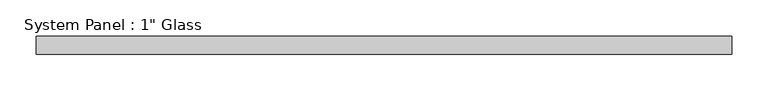
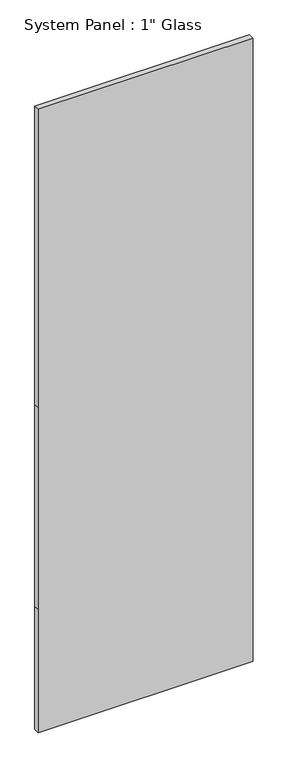
"""IFC4 building model written with IfcOpenShell, lengths in millimetres: plate geometry."""

from ifc_helpers import new_model, si_unit, frame, origin, place, context, project, spatial, polyline, outline, extrude, source, transform, mapped, element, save


def plate_5548bd04(model_context):
    return source(origin(), model_context, "Body", "SweptSolid", [
        extrude(outline(polyline([(0.0, -482.6), (0.0, 482.6), (584.2, 482.6), (1543.05, 482.6), (2959.1, 482.6), (2959.1, -482.6), (1543.05, -482.6), (584.2, -482.6), (0.0, -482.6)])), frame((0.0, -12.7, 0.0), z_axis=(0.0, 1.0, 0.0), x_axis=(0.0, 0.0, 1.0)), (0.0, 0.0, 1.0), 25.4),
    ])


if __name__ == "__main__":
    model = new_model("IFC4")
    model_context = context("Model", 3, world=origin())
    ifc_project = project(units=[si_unit("LENGTHUNIT", "METRE", prefix="MILLI")], contexts=[model_context])
    site = spatial("IfcSite", under=ifc_project)
    building = spatial("IfcBuilding", under=site)
    placement = place(None, origin())
    plate_shape = plate_5548bd04(model_context)
    element("IfcPlate", 1, ObjectType="System Panel : 1\" Glass", at=placement, inside=building, context=model_context, shape_type="MappedRepresentation", body=[
        mapped(plate_shape, transform((0.0, 0.0, 0.0), x_axis=(1.0, 0.0, 0.0), y_axis=(0.0, 1.0, 0.0), z_axis=(0.0, 0.0, 1.0))),
    ])
    save(model, "model.ifc")
